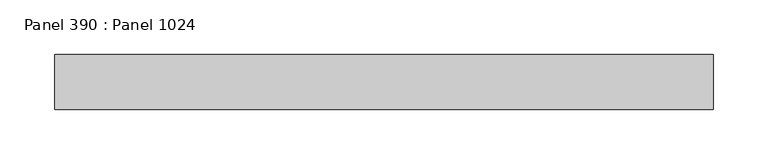
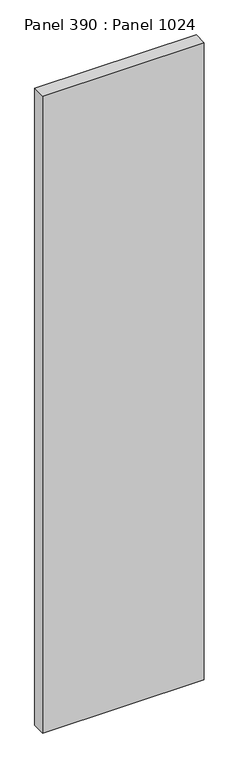
"""IFC4 building model written with IfcOpenShell, lengths in millimetres: proxy geometry, Panel 390 : Panel 1024."""

from ifc_helpers import new_model, si_unit, frame, origin, place, context, project, spatial, polyline, outline, extrude, source, transform, mapped, element, save


def panel_390_panel_1024_005991c4(model_context):
    return source(origin(), model_context, "Body", "SweptSolid", [
        extrude(outline(polyline([(36067.4760992, 344155.7854235), (36067.4760996, 344105.7853814), (35467.4761064, 344105.785403), (35467.4761071, 344155.7854451), (36067.4760992, 344155.7854235)])), frame((0.0, 0.0, 34575.0), z_axis=(0.0, 0.0, 1.0), x_axis=(1.0, 0.0, 0.0)), (0.0, 0.0, 1.0), 2500.0),
    ])


if __name__ == "__main__":
    model = new_model("IFC4")
    model_context = context("Model", 3, world=origin())
    ifc_project = project(units=[si_unit("LENGTHUNIT", "METRE", prefix="MILLI")], contexts=[model_context])
    site = spatial("IfcSite", under=ifc_project)
    building = spatial("IfcBuilding", under=site)
    placement = place(None, origin())
    panel_390_panel_1024_shape = panel_390_panel_1024_005991c4(model_context)
    element("IfcBuildingElementProxy", 1, Name="Panel 390 : Panel 1024", ObjectType="Panel 390 : Panel 1024", at=placement, inside=building, context=model_context, shape_type="MappedRepresentation", body=[
        mapped(panel_390_panel_1024_shape, transform((0.0, 0.0, 0.0), x_axis=(1.0, 0.0, 0.0), y_axis=(0.0, 1.0, 0.0), z_axis=(0.0, 0.0, 1.0))),
    ])
    save(model, "model.ifc")
